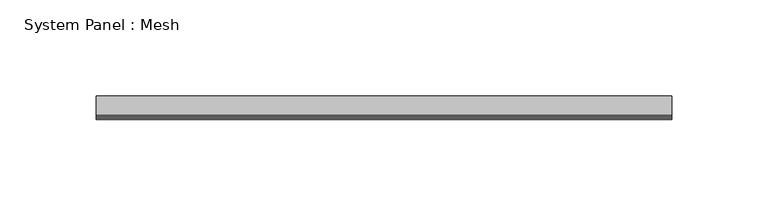
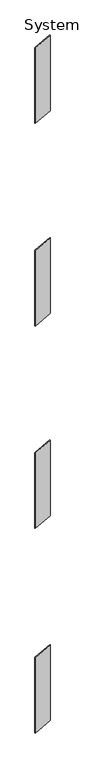
"""IFC4 building model written with IfcOpenShell, lengths in millimetres: plate geometry, System Panel : Mesh."""

from ifc_helpers import new_model, si_unit, frame, origin, place, context, project, spatial, polyline, outline, extrude, source, transform, mapped, element, save


def system_panel_mesh_6d985905(model_context):
    return source(origin(), model_context, "Body", "SweptSolid", [
        extrude(outline(polyline([(0.0, -149.6633952), (167.1179351, 149.6633952), (1770.538504, 149.6633952), (1603.4205689, -149.6633952), (0.0, -149.6633952)])), frame((0.0, -5.0, 0.0), z_axis=(0.0, 1.0, 0.0), x_axis=(0.0, 0.0, 1.0)), (0.0, 0.0, 1.0), 10.0),
        extrude(outline(polyline([(4351.6670493, -149.6633952), (4517.7451395, 149.6633952), (6118.8004626, 149.6633952), (5952.7223724, -149.6633952), (4351.6670493, -149.6633952)])), frame((0.0, -5.0, 0.0), z_axis=(0.0, 1.0, 0.0), x_axis=(0.0, 0.0, 1.0)), (0.0, 0.0, 1.0), 10.0),
        extrude(outline(polyline([(8651.6670493, -149.6633952), (8817.7451395, 149.6633952), (10418.8004626, 149.6633952), (10252.7223724, -149.6633952), (8651.6670493, -149.6633952)])), frame((0.0, -5.0, 0.0), z_axis=(0.0, 1.0, 0.0), x_axis=(0.0, 0.0, 1.0)), (0.0, 0.0, 1.0), 10.0),
        extrude(outline(polyline([(12958.8547755, -149.6633952), (13125.3190938, 149.6633952), (14727.2516208, 149.6633952), (14560.7873024, -149.6633952), (12958.8547755, -149.6633952)])), frame((0.0, -5.0, 0.0), z_axis=(0.0, 1.0, 0.0), x_axis=(0.0, 0.0, 1.0)), (0.0, 0.0, 1.0), 10.0),
    ])


if __name__ == "__main__":
    model = new_model("IFC4")
    model_context = context("Model", 3, world=origin())
    ifc_project = project(units=[si_unit("LENGTHUNIT", "METRE", prefix="MILLI")], contexts=[model_context])
    site = spatial("IfcSite", under=ifc_project)
    building = spatial("IfcBuilding", under=site)
    placement = place(None, origin())
    system_panel_mesh_shape = system_panel_mesh_6d985905(model_context)
    element("IfcPlate", 1, ObjectType="System Panel : Mesh", at=placement, inside=building, context=model_context, shape_type="MappedRepresentation", body=[
        mapped(system_panel_mesh_shape, transform((0.0, 0.0, 0.0), x_axis=(1.0, 0.0, 0.0), y_axis=(0.0, 1.0, 0.0), z_axis=(0.0, 0.0, 1.0))),
    ])
    save(model, "model.ifc")
